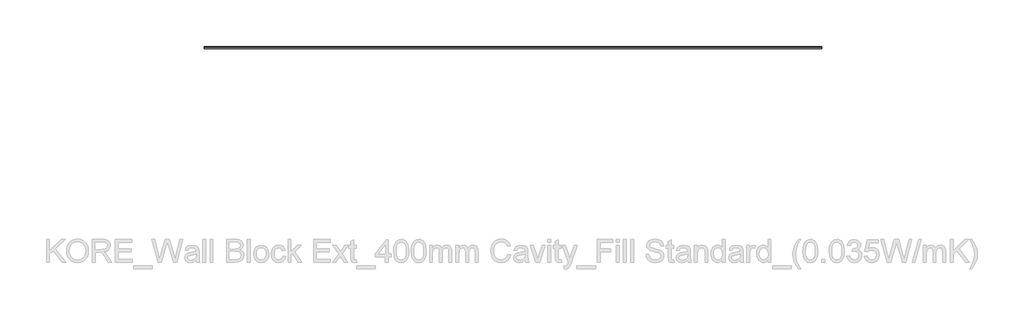
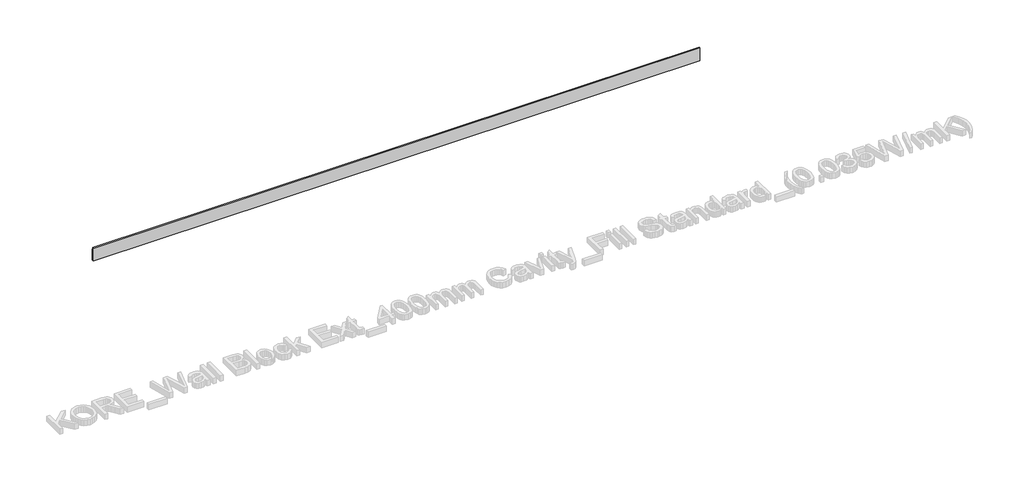
# One storey, part 17 of 60: 1 proxy.
"""IFC4 building model written with IfcOpenShell, lengths in millimetres."""

from ifc_helpers import new_model, si_unit, point, frame, frame_2d, origin, place, context, project, spatial, polyline, circle_curve, trimmed, segment, composite_curve, outline, extrude, element, save

model = new_model("IFC4")

# Units and contexts
model_context = context("Model", 3, world=origin())
ifc_project = project(units=[si_unit("LENGTHUNIT", "METRE", prefix="MILLI")], contexts=[model_context])

# Site, building, storey
site = spatial("IfcSite", under=ifc_project)
building = spatial("IfcBuilding", under=site)
storey = spatial("IfcBuildingStorey", under=building, Elevation=0.0)

# Proxy
placement = place(None, origin())
element("IfcBuildingElementProxy", 1, Name="Wall Sweeps", at=placement, inside=storey, context=model_context, shape_type="SweptSolid", body=[
    extrude(outline(composite_curve([segment(polyline([(12215.4236863, 134.5), (12224.4236863, 134.5), (12224.4236863, 125.2473165)]), True, "CONTINUOUS"), segment(trimmed(circle_curve(frame_2d((12214.8063342, 113.7361681)), 15.0), [point((12224.4236863, 125.2473165))], [point((12229.8063342, 113.7361681))], False, "CARTESIAN"), True, "CONTINUOUS"), segment(polyline([(12229.8063342, 113.7361681), (12229.8063342, 94.9145021), (12233.4236863, 86.1071309), (12233.4236863, 14.5), (12215.4236863, 14.5), (12215.4236863, 134.5)]), True, "CONTINUOUS")], self_intersect=False)), frame((17930.0129216, 0.0, 0.0), z_axis=(1.0, 0.0, 0.0), x_axis=(0.0, 1.0, 0.0)), (0.0, 0.0, 1.0), 5310.0),
])

save(model, "model.ifc")
